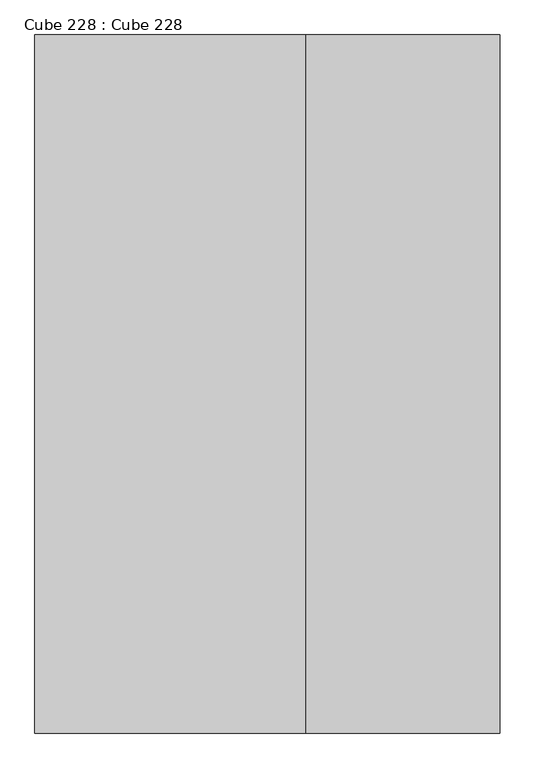
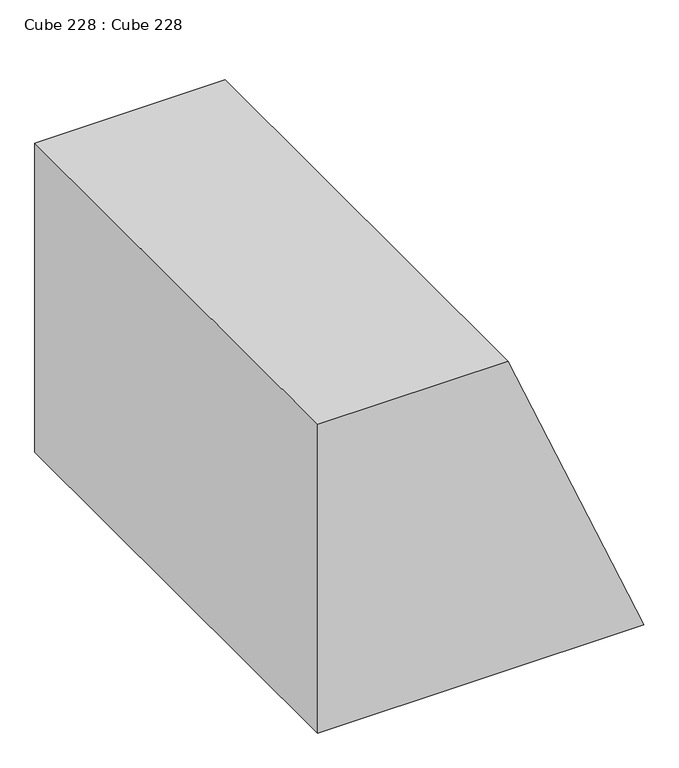
"""IFC4 building model written with IfcOpenShell, lengths in millimetres: proxy geometry, Cube 228 : Cube 228."""

import ifcopenshell
import ifcopenshell.guid

model = None  # the IFC model being written
_history = None  # IfcOwnerHistory: only IFC2X3 demands one
_inside = {}  # id of a spatial element -> (the spatial element, [elements in it])
_under = {}  # id of a project, library or spatial element -> (it, [spatial elements below it])
_declared = {}  # id of a project -> (the project, [libraries it declares])
_typed = {}  # id of a type object -> (the type object, [elements of that type])
_made_of = {}  # id of a material, layer set ... -> (it, [elements and type objects made of it])


def new_model(schema):
    """Start an empty IFC model of exactly this schema.

    Asked for "IFC4X3", IfcOpenShell would pick the latest addendum, in which some entities
    have other attributes; the version numbers below select the first issue.
    IFC2X3 requires an IfcOwnerHistory on every rooted entity: one is made here for all.
    """
    global model, _history
    if schema == "IFC4X3":
        model = ifcopenshell.file(schema_version=(4, 3, 0, 0))
    else:
        model = ifcopenshell.file(schema=schema)
    _inside.clear()
    _under.clear()
    _declared.clear()
    _typed.clear()
    _made_of.clear()
    _history = None
    if model.schema == "IFC2X3":
        org = make("IfcOrganization", Name="unknown")
        user = make(
            "IfcPersonAndOrganization",
            ThePerson=make("IfcPerson", FamilyName="unknown"),
            TheOrganization=org,
        )
        app = make(
            "IfcApplication",
            ApplicationDeveloper=org,
            Version="unknown",
            ApplicationFullName="unknown",
            ApplicationIdentifier="unknown",
        )
        _history = make(
            "IfcOwnerHistory",
            OwningUser=user,
            OwningApplication=app,
            ChangeAction="ADDED",
            CreationDate=0,
        )
    return model


def make(cls, **values):
    """One entity of the class cls with the attributes given. An attribute that is None is left unset."""
    return model.create_entity(
        cls, **{name: value for name, value in values.items() if value is not None}
    )


def rooted(cls, **values):
    """An entity with a GlobalId (a new one), such as an element, a storey or a relation."""
    return make(cls, GlobalId=ifcopenshell.guid.new(), OwnerHistory=_history, **values)


def si_unit(unit_type, name, prefix=None):
    """IfcSIUnit, for example si_unit("LENGTHUNIT", "METRE", prefix="MILLI")."""
    return make("IfcSIUnit", UnitType=unit_type, Prefix=prefix, Name=name)


def assignment(units):
    """IfcUnitAssignment: the units of a project."""
    return None if units is None else make("IfcUnitAssignment", Units=units)


def point(xyz):
    """IfcCartesianPoint."""
    return None if xyz is None else make("IfcCartesianPoint", Coordinates=xyz)


def direction(xyz):
    """IfcDirection."""
    return None if xyz is None else make("IfcDirection", DirectionRatios=xyz)


def frame(location, z_axis=None, x_axis=None):
    """IfcAxis2Placement3D, a coordinate frame: its origin and axes. An axis left out is left unset."""
    return make(
        "IfcAxis2Placement3D",
        Location=point(location),
        Axis=direction(z_axis),
        RefDirection=direction(x_axis),
    )


def origin():
    """The frame at (0, 0, 0) with its axes left unset."""
    return frame((0.0, 0.0, 0.0))


def place(relative_to, where):
    """IfcLocalPlacement: puts the frame where relative to a parent placement (None: the world)."""
    return make(
        "IfcLocalPlacement", PlacementRelTo=relative_to, RelativePlacement=where
    )


def context(
    kind, dimensions, precision=None, world=None, true_north=None, identifier=None
):
    """IfcGeometricRepresentationContext, for example the 3D "Model" context."""
    return make(
        "IfcGeometricRepresentationContext",
        ContextIdentifier=identifier,
        ContextType=kind,
        CoordinateSpaceDimension=dimensions,
        Precision=precision,
        WorldCoordinateSystem=world,
        TrueNorth=true_north,
    )


def project(units=None, contexts=None):
    """IfcProject with its units and contexts."""
    return rooted(
        "IfcProject",
        Name="project",
        RepresentationContexts=contexts,
        UnitsInContext=assignment(units),
    )


def spatial(cls, under=None, at=None, **own):
    """A site, building, storey or space (cls), placed at a placement, below another one or the project."""
    s = rooted(cls, ObjectPlacement=at, **own)
    if under is not None:
        _under.setdefault(under.id(), (under, []))[1].append(s)
    return s


def polyline(points):
    """IfcPolyline through the points."""
    return make("IfcPolyline", Points=[point(p) for p in points])


def outline(outer, holes=None, kind="AREA"):
    """IfcArbitraryClosedProfileDef: a profile drawn as a closed curve; with holes, ...WithVoids."""
    if holes is None:
        return make("IfcArbitraryClosedProfileDef", ProfileType=kind, OuterCurve=outer)
    return make(
        "IfcArbitraryProfileDefWithVoids",
        ProfileType=kind,
        OuterCurve=outer,
        InnerCurves=holes,
    )


def extrude(swept, where, along, depth):
    """IfcExtrudedAreaSolid: the profile swept, set in the frame where, extruded along a direction by depth."""
    return make(
        "IfcExtrudedAreaSolid",
        SweptArea=swept,
        Position=where,
        ExtrudedDirection=direction(along),
        Depth=depth,
    )


def shape(context_of_items, identifier, shape_type, items):
    """IfcShapeRepresentation: the items that make up one representation, for example the "Body"."""
    return make(
        "IfcShapeRepresentation",
        ContextOfItems=context_of_items,
        RepresentationIdentifier=identifier,
        RepresentationType=shape_type,
        Items=items,
    )


def source(mapping_origin, context_of_items, identifier, shape_type, items):
    """IfcRepresentationMap: a shape defined once, which mapped items show again and again."""
    return make(
        "IfcRepresentationMap",
        MappingOrigin=mapping_origin,
        MappedRepresentation=shape(context_of_items, identifier, shape_type, items),
    )


def transform(
    local_origin,
    x_axis=None,
    y_axis=None,
    z_axis=None,
    scale=None,
    scale2=None,
    scale3=None,
    uniform=True,
):
    """IfcCartesianTransformationOperator3D, or its non-uniform kind. x_axis, y_axis, z_axis: its Axis1, 2, 3."""
    if uniform:
        return make(
            "IfcCartesianTransformationOperator3D",
            Axis1=direction(x_axis),
            Axis2=direction(y_axis),
            LocalOrigin=point(local_origin),
            Scale=scale,
            Axis3=direction(z_axis),
        )
    return make(
        "IfcCartesianTransformationOperator3DnonUniform",
        Axis1=direction(x_axis),
        Axis2=direction(y_axis),
        LocalOrigin=point(local_origin),
        Scale=scale,
        Axis3=direction(z_axis),
        Scale2=scale2,
        Scale3=scale3,
    )


def mapped(mapping_source, mapping_target):
    """IfcMappedItem: shows the shape of a source again, moved by a transform."""
    return make(
        "IfcMappedItem", MappingSource=mapping_source, MappingTarget=mapping_target
    )


def made_of(thing, what):
    """Note that an element or type object is made of a material, layer set ...; save() writes the relation."""
    if what is not None:
        _made_of.setdefault(what.id(), (what, []))[1].append(thing)
    return thing


def element(
    cls,
    number,
    at=None,
    inside=None,
    cuts=None,
    type_object=None,
    material=None,
    context=None,
    identifier="Body",
    shape_type=None,
    held_by="IfcProductDefinitionShape",
    body=None,
    shapes=None,
    **own,
):
    """One element of the class cls, such as IfcWall. Its Tag is "e" and its number.

    at: its placement. inside: the storey or other place that contains it. cuts: it is an
    opening in that element (IfcRelVoidsElement). A single representation is given by context,
    identifier, shape_type and body (its items); several are given by shapes. held_by: the class
    of the entity that holds the representations. save() writes the other relations.
    """
    e = rooted(cls, Tag="e%d" % number, ObjectPlacement=at, **own)
    if body is not None:
        shapes = [shape(context, identifier, shape_type, body)]
    if shapes is not None:
        e.Representation = make(held_by, Representations=shapes)
    if inside is not None:
        _inside.setdefault(inside.id(), (inside, []))[1].append(e)
    if cuts is not None:
        rooted(
            "IfcRelVoidsElement", RelatingBuildingElement=cuts, RelatedOpeningElement=e
        )
    if type_object is not None:
        _typed.setdefault(type_object.id(), (type_object, []))[1].append(e)
    return made_of(e, material)


def aggregate(whole, parts):
    """IfcRelAggregates: a whole, such as a stair, and the parts it consists of."""
    return rooted("IfcRelAggregates", RelatingObject=whole, RelatedObjects=parts)


def save(model, path):
    """Write the relations noted so far, then the file.

    IfcRelAggregates (storeys below a building ...), IfcRelContainedInSpatialStructure (elements
    in a storey), IfcRelDefinesByType, IfcRelAssociatesMaterial and IfcRelDeclares: one each for
    every whole, place, type object, material and project.
    """
    for whole, parts in _under.values():
        aggregate(whole, parts)
    for where, things in _inside.values():
        rooted(
            "IfcRelContainedInSpatialStructure",
            RelatedElements=things,
            RelatingStructure=where,
        )
    for kind, things in _typed.values():
        rooted("IfcRelDefinesByType", RelatedObjects=things, RelatingType=kind)
    for what, things in _made_of.values():
        rooted("IfcRelAssociatesMaterial", RelatedObjects=things, RelatingMaterial=what)
    for by, libraries in _declared.values():
        rooted("IfcRelDeclares", RelatingContext=by, RelatedDefinitions=libraries)
    model.write(path)


def cube_228_cube_228_6895df58(model_context):
    return source(origin(), model_context, "Body", "SweptSolid", [
        extrude(outline(polyline([(0.0, -6096.0006714), (3657.6004028, -7620.0008392), (3657.6004028, -9753.6008358), (0.0, -9753.6008358), (0.0, -6096.0006714)])), frame((0.0, 0.0, 0.0), z_axis=(0.0, 1.0, 0.0), x_axis=(0.0, 0.0, 1.0)), (0.0, 0.0, 1.0), 5486.4),
    ])


if __name__ == "__main__":
    model = new_model("IFC4")
    model_context = context("Model", 3, world=origin())
    ifc_project = project(units=[si_unit("LENGTHUNIT", "METRE", prefix="MILLI")], contexts=[model_context])
    site = spatial("IfcSite", under=ifc_project)
    building = spatial("IfcBuilding", under=site)
    placement = place(None, origin())
    cube_228_cube_228_shape = cube_228_cube_228_6895df58(model_context)
    element("IfcBuildingElementProxy", 1, Name="Cube 228 : Cube 228", ObjectType="Cube 228 : Cube 228", at=placement, inside=building, context=model_context, shape_type="MappedRepresentation", body=[
        mapped(cube_228_cube_228_shape, transform((0.0, 0.0, 0.0), x_axis=(1.0, 0.0, 0.0), y_axis=(0.0, 1.0, 0.0), z_axis=(0.0, 0.0, 1.0))),
    ])
    save(model, "model.ifc")
